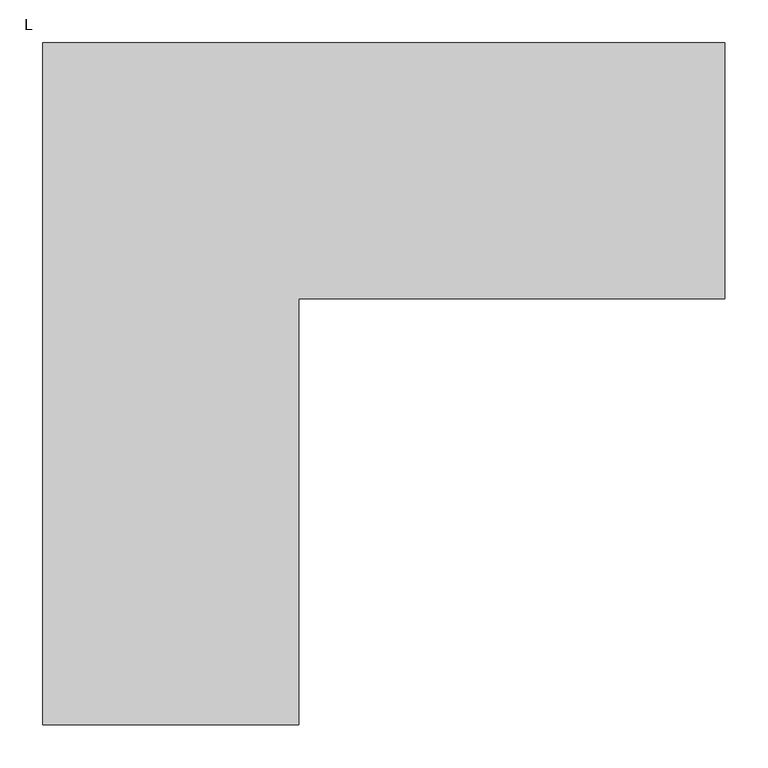
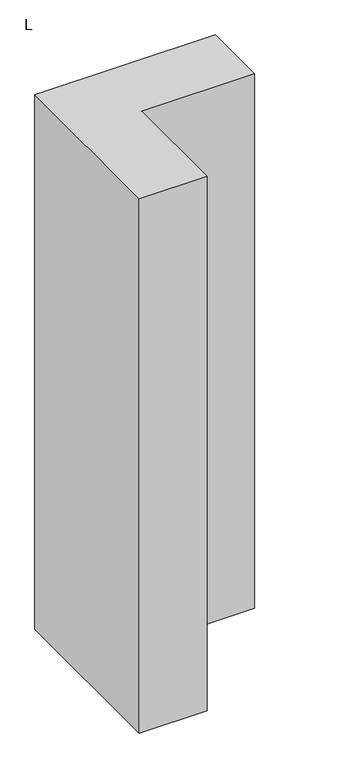
"""IFC4 building model written with IfcOpenShell, lengths in millimetres: column geometry, L."""

from ifc_helpers import new_model, si_unit, frame, origin, place, context, project, spatial, polyline, outline, extrude, source, transform, mapped, element, save


def l_3f5e5154(model_context):
    return source(origin(), model_context, "Body", "SweptSolid", [
        extrude(outline(polyline([(400.0, 400.0), (400.0, 100.0), (-100.0, 100.0), (-100.0, -400.0), (-400.0, -400.0), (-400.0, 400.0), (400.0, 400.0)])), frame((0.0, 0.0, -5920.0), z_axis=(0.0, 0.0, 1.0), x_axis=(1.0, 0.0, 0.0)), (0.0, 0.0, 1.0), 2500.0),
    ])


if __name__ == "__main__":
    model = new_model("IFC4")
    model_context = context("Model", 3, world=origin())
    ifc_project = project(units=[si_unit("LENGTHUNIT", "METRE", prefix="MILLI")], contexts=[model_context])
    site = spatial("IfcSite", under=ifc_project)
    building = spatial("IfcBuilding", under=site)
    placement = place(None, origin())
    l_shape = l_3f5e5154(model_context)
    element("IfcColumn", 1, ObjectType="L", at=placement, inside=building, context=model_context, shape_type="MappedRepresentation", body=[
        mapped(l_shape, transform((0.0, 0.0, 0.0), x_axis=(1.0, 0.0, 0.0), y_axis=(0.0, 1.0, 0.0), z_axis=(0.0, 0.0, 1.0))),
    ])
    save(model, "model.ifc")
